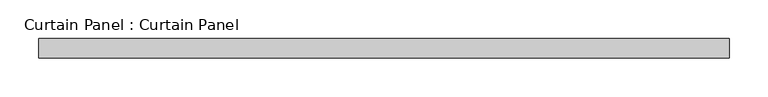
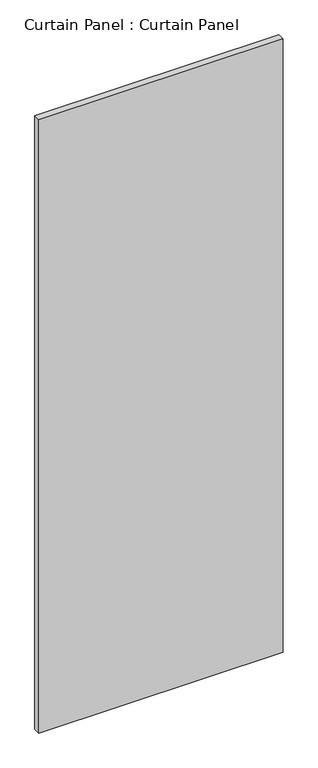
"""IFC4 building model written with IfcOpenShell, lengths in millimetres: plate geometry, Curtain Panel : Curtain Panel."""

from ifc_helpers import new_model, si_unit, frame, origin, place, context, project, spatial, polyline, outline, extrude, source, transform, mapped, element, save


def curtain_panel_curtain_panel_204c8a15(model_context):
    return source(origin(), model_context, "Body", "SweptSolid", [
        extrude(outline(polyline([(-32384.5246935, 579.5565472), (-33279.8876734, 579.5565472), (-33279.8876734, 604.9565472), (-32384.5246935, 604.9565472), (-32384.5246935, 579.5565472)])), frame((0.0, 0.0, -626.0104492), z_axis=(0.0, 0.0, 1.0), x_axis=(1.0, 0.0, 0.0)), (0.0, 0.0, 1.0), 2374.7884865),
    ])


if __name__ == "__main__":
    model = new_model("IFC4")
    model_context = context("Model", 3, world=origin())
    ifc_project = project(units=[si_unit("LENGTHUNIT", "METRE", prefix="MILLI")], contexts=[model_context])
    site = spatial("IfcSite", under=ifc_project)
    building = spatial("IfcBuilding", under=site)
    placement = place(None, origin())
    curtain_panel_curtain_panel_shape = curtain_panel_curtain_panel_204c8a15(model_context)
    element("IfcPlate", 1, ObjectType="Curtain Panel : Curtain Panel", at=placement, inside=building, context=model_context, shape_type="MappedRepresentation", body=[
        mapped(curtain_panel_curtain_panel_shape, transform((0.0, 0.0, 0.0), x_axis=(1.0, 0.0, 0.0), y_axis=(0.0, 1.0, 0.0), z_axis=(0.0, 0.0, 1.0))),
    ])
    save(model, "model.ifc")
